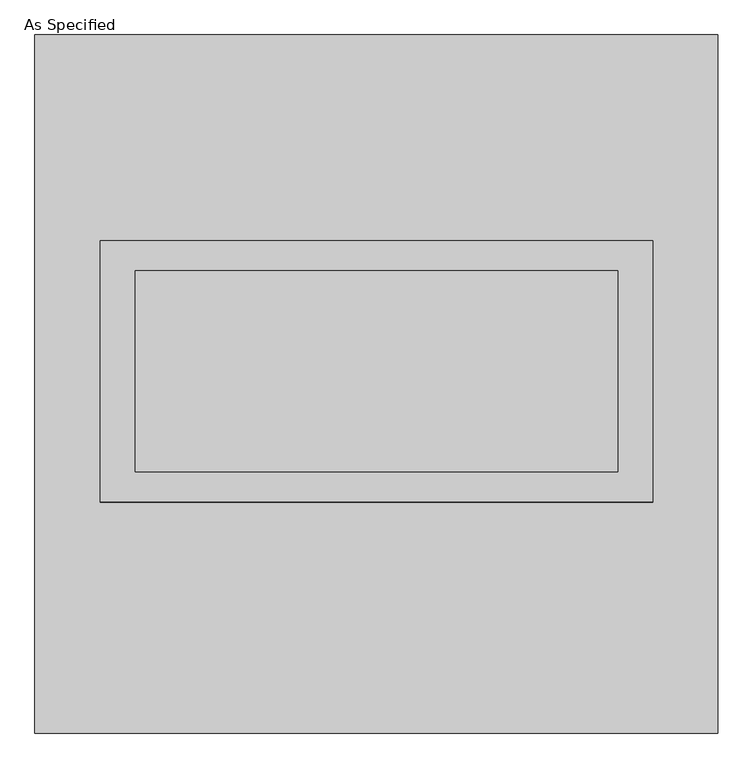
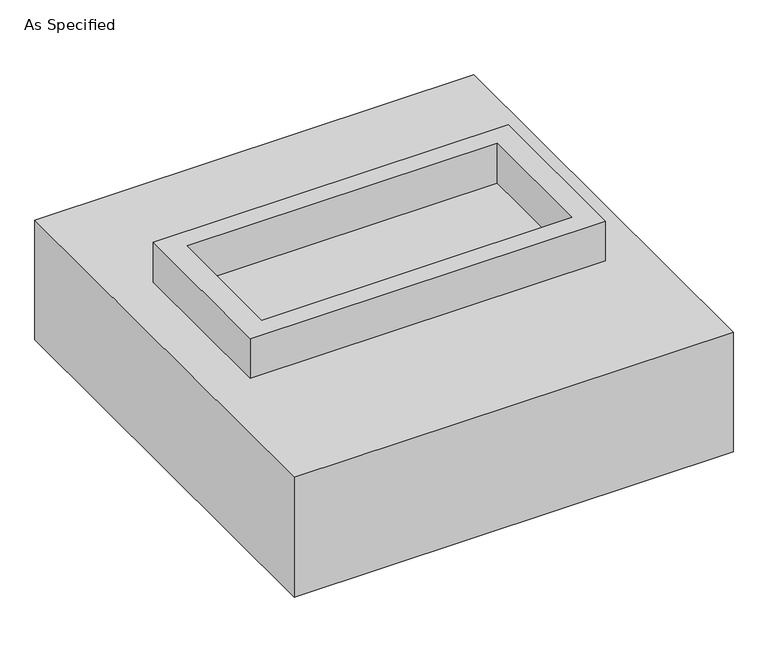
"""IFC4 building model written with IfcOpenShell, lengths in millimetres: proxy geometry, As Specified."""

from ifc_helpers import new_model, si_unit, frame, origin, place, context, project, spatial, polyline, outline, extrude, source, transform, mapped, element, save


def as_specified_0881b353(model_context):
    return source(origin(), model_context, "Body", "SweptSolid", [
        extrude(outline(polyline([(698.5, 361.95), (698.5, -298.45), (-698.5, -298.45), (-698.5, 361.95), (698.5, 361.95)]), holes=[polyline([(609.6, 285.75), (-609.6, 285.75), (-609.6, -222.25), (609.6, -222.25), (609.6, 285.75)])]), frame((0.0, 0.0, -688.975), z_axis=(0.0, 0.0, 1.0), x_axis=(1.0, 0.0, 0.0)), (0.0, 0.0, 1.0), 165.1),
        extrude(outline(polyline([(698.5, 361.95), (698.5, -298.45), (-698.5, -298.45), (-698.5, 361.95), (698.5, 361.95)]), holes=[polyline([(609.6, 285.75), (-609.6, 285.75), (-609.6, -222.25), (609.6, -222.25), (609.6, 285.75)])]), frame((0.0, 0.0, -25.4), z_axis=(0.0, 0.0, 1.0), x_axis=(1.0, 0.0, 0.0)), (0.0, 0.0, 1.0), 165.1),
        extrude(outline(polyline([(609.6, 285.75), (609.6, -222.25), (-609.6, -222.25), (-609.6, 285.75), (609.6, 285.75)])), frame((0.0, 0.0, -523.875), z_axis=(0.0, 0.0, 1.0), x_axis=(1.0, 0.0, 0.0)), (0.0, 0.0, 1.0), 4.9609375),
        extrude(outline(polyline([(609.6, 285.75), (609.6, -222.25), (-609.6, -222.25), (-609.6, 285.75), (609.6, 285.75)])), frame((0.0, 0.0, -30.3609375), z_axis=(0.0, 0.0, 1.0), x_axis=(1.0, 0.0, 0.0)), (0.0, 0.0, 1.0), 4.9609375),
        extrude(outline(polyline([(863.6, -882.65), (-863.6, -882.65), (-863.6, 882.65), (863.6, 882.65), (863.6, -882.65)]), holes=[polyline([(-698.5, 361.95), (-698.5, -298.45), (698.5, -298.45), (698.5, 361.95), (-698.5, 361.95)])]), frame((0.0, 0.0, -523.875), z_axis=(0.0, 0.0, 1.0), x_axis=(1.0, 0.0, 0.0)), (0.0, 0.0, 1.0), 498.475),
    ])


if __name__ == "__main__":
    model = new_model("IFC4")
    model_context = context("Model", 3, world=origin())
    ifc_project = project(units=[si_unit("LENGTHUNIT", "METRE", prefix="MILLI")], contexts=[model_context])
    site = spatial("IfcSite", under=ifc_project)
    building = spatial("IfcBuilding", under=site)
    placement = place(None, origin())
    as_specified_shape = as_specified_0881b353(model_context)
    element("IfcBuildingElementProxy", 1, Name="As Specified", ObjectType="As Specified", at=placement, inside=building, context=model_context, shape_type="MappedRepresentation", body=[
        mapped(as_specified_shape, transform((0.0, 0.0, 0.0), x_axis=(1.0, 0.0, 0.0), y_axis=(0.0, 1.0, 0.0), z_axis=(0.0, 0.0, 1.0))),
    ])
    save(model, "model.ifc")
